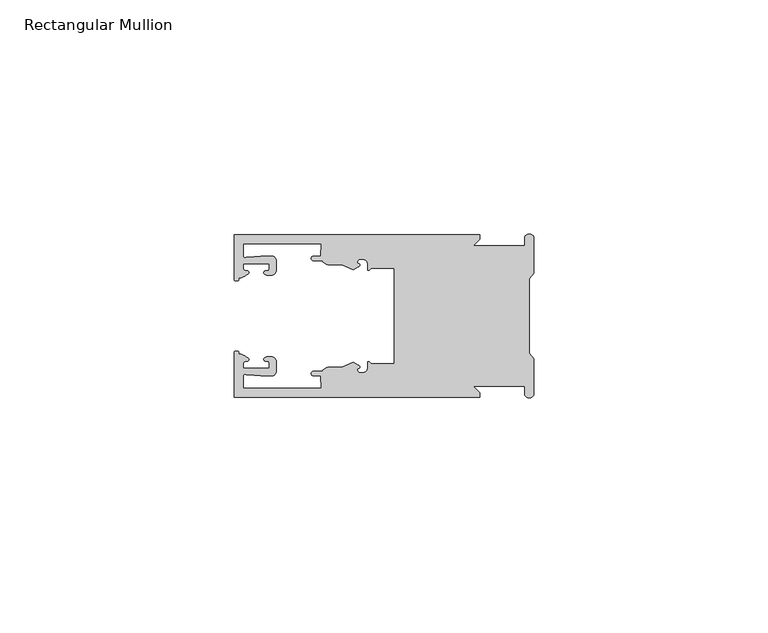
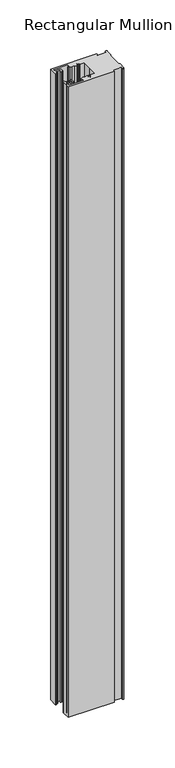
"""IFC4 building model written with IfcOpenShell, lengths in millimetres: member geometry, Rectangular Mullion."""

from ifc_helpers import new_model, si_unit, frame, origin, place, context, project, spatial, polyline, circle_curve, source, transform, mapped, element, save
from ifc_brep_helpers import plane_surface, cylinder_surface, revolved_surface, extruded_surface, spline_curve, advanced_brep


def rectangular_mullion_788114b2(model_context):
    return source(origin(), model_context, "Body", "AdvancedBrep", [
        advanced_brep(
        [(-11.5387897, 17.4000478, 0.0), (-64.0387868, 17.4000478, 0.0), (-64.0387868, 7.8350057, 0.0), (-63.2884687, 7.5412947, 0.0), (-62.4614154, 8.1921895, 0.0), (-62.0410649, 9.9426451, 0.0), (-62.0424168, 11.1926444, 0.0), (-56.54242, 11.1985924, 0.0), (-56.5410682, 9.9485931, 0.0), (-57.1085345, 8.7314723, 0.0), (-56.0397166, 8.6991345, 0.0), (-55.0407987, 9.7002154, 0.0), (-55.0430697, 11.8002142, 0.0), (-56.0446364, 12.7991315, 0.0), (-58.3650753, 12.7954945, 0.0), (-61.1340054, 12.5502269, 0.0), (-62.044093, 12.7426435, 0.0), (-62.0469668, 15.4000478, 0.0), (-45.4240312, 15.4000478, 0.0), (-45.5732135, 12.8000478, 0.0), (-47.0387868, 12.8000478, 0.0), (-47.0387868, 11.8000478, 0.0), (-45.2543363, 11.8000478, 0.0), (-43.6387868, 10.9000478, 0.0), (-41.0454034, 10.9000478, 0.0), (-38.5697136, 9.8718293, 0.0), (-37.5387868, 10.4670351, 0.0), (-37.6803436, 11.4201497, 0.0), (-37.0270763, 12.1583697, 0.0), (-36.2010815, 12.0127245, 0.0), (-35.54, 11.2248783, 0.0), (-35.54, 10.0, 0.0), (-34.7705791, 10.25, 0.0), (-29.79, 10.25, 0.0), (-29.79, 0.0, 0.0), (-29.79, -10.25, 0.0), (-34.7705791, -10.25, 0.0), (-35.54, -10.0, 0.0), (-35.54, -11.2248783, 0.0), (-36.2010815, -12.0127245, 0.0), (-37.0270763, -12.1583697, 0.0), (-37.6803436, -11.4201497, 0.0), (-37.5387868, -10.4670351, 0.0), (-38.5697136, -9.8718293, 0.0), (-41.0454034, -10.9000478, 0.0), (-43.6387868, -10.9000478, 0.0), (-45.2543363, -11.8000478, 0.0), (-47.0387868, -11.8000478, 0.0), (-47.0387868, -12.8000478, 0.0), (-45.5732135, -12.8000478, 0.0), (-45.4240312, -15.4000478, 0.0), (-62.0469668, -15.4000478, 0.0), (-62.044093, -12.7426435, 0.0), (-61.1340054, -12.5502269, 0.0), (-58.3650753, -12.7954945, 0.0), (-56.0446364, -12.7991314, 0.0), (-55.0430697, -11.8002142, 0.0), (-55.0407987, -9.7002154, 0.0), (-56.0397166, -8.6991345, 0.0), (-57.1085345, -8.7314723, 0.0), (-56.5410682, -9.9485931, 0.0), (-56.54242, -11.1985924, 0.0), (-62.0424168, -11.1926444, 0.0), (-62.0410649, -9.9426451, 0.0), (-62.4614154, -8.1921895, 0.0), (-63.2884687, -7.5412947, 0.0), (-64.0387868, -7.8350057, 0.0), (-64.0387868, -17.4000478, 0.0), (-11.5387897, -17.4000478, 0.0), (-11.5387897, -16.4000449, 0.0), (-12.9388346, -15.0, 0.0), (-2.0, -15.0, 0.0), (-2.0, -16.5, 0.0), (0.0, -16.5, 0.0), (0.0, -9.1160254, 0.0), (-1.0, -7.9613249, 0.0), (-1.0, 0.0, 0.0), (-1.0, 7.9613249, 0.0), (0.0, 9.1160254, 0.0), (0.0, 16.5, 0.0), (-2.0, 16.5, 0.0), (-2.0, 15.0, 0.0), (-12.9388346, 15.0, 0.0), (-11.5387897, 16.4000449, 0.0), (-11.5387897, 17.4000478, -761.3333333), (-11.5387897, 16.4000449, -761.3333333), (-12.9388346, 15.0, -761.3333333), (-2.0, 15.0, -761.3333333), (-2.0, 16.5, -761.3333333), (0.0, 16.5, -761.3333333), (0.0, 9.1160254, -761.3333333), (-1.0, 7.9613249, -761.3333333), (-1.0, 0.0, -761.3333333), (-1.0, -7.9613249, -761.3333333), (0.0, -9.1160254, -761.3333333), (0.0, -16.5, -761.3333333), (-2.0, -16.5, -761.3333333), (-2.0, -15.0, -761.3333333), (-12.9388346, -15.0, -761.3333333), (-11.5387897, -16.4000449, -761.3333333), (-11.5387897, -17.4000478, -761.3333333), (-64.0387868, -17.4000478, -761.3333333), (-64.0387868, -7.8350057, -761.3333333), (-63.2884687, -7.5412947, -761.3333333), (-62.4614154, -8.1921895, -761.3333333), (-62.0410649, -9.9426451, -761.3333333), (-62.0424168, -11.1926444, -761.3333333), (-56.54242, -11.1985924, -761.3333333), (-56.5410682, -9.9485931, -761.3333333), (-57.1085345, -8.7314723, -761.3333333), (-56.0397166, -8.6991345, -761.3333333), (-55.0407987, -9.7002154, -761.3333333), (-55.0430697, -11.8002142, -761.3333333), (-56.0446364, -12.7991315, -761.3333333), (-58.3650753, -12.7954945, -761.3333333), (-61.1340054, -12.5502269, -761.3333333), (-62.044093, -12.7426435, -761.3333333), (-62.0469668, -15.4000478, -761.3333333), (-45.4240312, -15.4000478, -761.3333333), (-45.5732135, -12.8000478, -761.3333333), (-47.0387868, -12.8000478, -761.3333333), (-47.0387868, -11.8000478, -761.3333333), (-45.2543363, -11.8000478, -761.3333333), (-43.6387868, -10.9000478, -761.3333333), (-41.0454034, -10.9000478, -761.3333333), (-38.5697136, -9.8718293, -761.3333333), (-37.5387868, -10.4670351, -761.3333333), (-37.6803436, -11.4201497, -761.3333333), (-37.0270763, -12.1583697, -761.3333333), (-36.2010815, -12.0127245, -761.3333333), (-35.54, -11.2248783, -761.3333333), (-35.54, -10.0, -761.3333333), (-34.7705791, -10.25, -761.3333333), (-29.79, -10.25, -761.3333333), (-29.79, 0.0, -761.3333333), (-29.79, 10.25, -761.3333333), (-34.7705791, 10.25, -761.3333333), (-35.54, 10.0, -761.3333333), (-35.54, 11.2248783, -761.3333333), (-36.2010815, 12.0127245, -761.3333333), (-37.0270763, 12.1583697, -761.3333333), (-37.6803436, 11.4201497, -761.3333333), (-37.5387868, 10.4670351, -761.3333333), (-38.5697136, 9.8718293, -761.3333333), (-41.0454034, 10.9000478, -761.3333333), (-43.6387868, 10.9000478, -761.3333333), (-45.2543363, 11.8000478, -761.3333333), (-47.0387868, 11.8000478, -761.3333333), (-47.0387868, 12.8000478, -761.3333333), (-45.5732135, 12.8000478, -761.3333333), (-45.4240312, 15.4000478, -761.3333333), (-62.0469668, 15.4000478, -761.3333333), (-62.044093, 12.7426435, -761.3333333), (-61.1340054, 12.5502269, -761.3333333), (-58.3650753, 12.7954945, -761.3333333), (-56.0446364, 12.7991314, -761.3333333), (-55.0430697, 11.8002142, -761.3333333), (-55.0407987, 9.7002154, -761.3333333), (-56.0397166, 8.6991345, -761.3333333), (-57.1085345, 8.7314723, -761.3333333), (-56.5410682, 9.9485931, -761.3333333), (-56.54242, 11.1985924, -761.3333333), (-62.0424168, 11.1926444, -761.3333333), (-62.0410649, 9.9426451, -761.3333333), (-62.4614154, 8.1921895, -761.3333333), (-63.2884687, 7.5412947, -761.3333333), (-64.0387868, 7.8350057, -761.3333333), (-64.0387868, 17.4000478, -761.3333333)],
        [
            (0, 1),
            (1, 2),
            (2, 3, spline_curve(3, [(-64.0387868, 7.8350057, 0.0), (-64.038491377, 7.561831774, 0.0), (-63.788385325, 7.463928087, 0.0), (-63.2884687, 7.5412947, 0.0)], [4, 4], [0.0, 0.0019169337574178654])),
            (3, 4, spline_curve(3, [(-63.2884687, 7.5412947, 0.0), (-63.057760917, 7.582232011, 0.0), (-63.018445067, 7.725390894, 0.0), (-63.019925494, 8.056436881, 0.0), (-63.103444208, 8.236386866, 0.0), (-62.4614154, 8.1921895, 0.0)], [4, 2, 4], [0.0, 0.0010199524164107188, 0.0024874514725970356])),
            (4, 5, spline_curve(3, [(-62.4614154, 8.1921895, 0.0), (-60.988497673, 8.880962536, 0.0), (-60.794045122, 9.192776957, 0.0), (-60.949808078, 9.57023562, 0.0), (-61.145214014, 9.682771697, 0.0), (-61.665835706, 9.714019003, 0.0), (-61.965242574, 9.660891484, 0.0), (-62.0410649, 9.9426451, 0.0)], [4, 2, 2, 4], [0.0, 0.003269869179570428, 0.005490050486237203, 0.0073545767114364426])),
            (5, 6),
            (6, 7),
            (7, 8),
            (8, 9, spline_curve(3, [(-56.5410682, 9.9485931, 0.0), (-56.634838635, 9.597117104, 0.0), (-56.904956774, 9.698238818, 0.0), (-57.324171444, 9.731086209, 0.0), (-57.45969165, 9.646199885, 0.0), (-57.729003352, 9.346016011, 0.0), (-57.859492582, 9.113082158, 0.0), (-57.1085345, 8.7314723, 0.0)], [4, 2, 2, 4], [0.0, 0.001593963049934732, 0.0033360256320283306, 0.005339140673503943])),
            (9, 10),
            (10, 11, circle_curve(frame((-56.0407981, 9.699134, 0.0), z_axis=(0.0, 0.0, 1.0), x_axis=(0.0010814451158627505, -0.9999994152380598, 0.0)), 1.0)),
            (11, 12),
            (12, 13, circle_curve(frame((-56.0430691, 11.7991327, 0.0), z_axis=(0.0, 0.0, 1.0), x_axis=(0.0010814451158627505, -0.9999994152380598, 0.0)), 1.0)),
            (13, 14),
            (14, 15),
            (15, 16, spline_curve(3, [(-61.1340054, 12.5502269, 0.0), (-61.605485428, 12.508463911, 0.0), (-61.992111419, 12.303164326, 0.0), (-62.044093, 12.7426435, 0.0)], [4, 4], [0.0, 0.0014803385355886016])),
            (16, 17),
            (17, 18),
            (18, 19),
            (19, 20),
            (20, 21, circle_curve(frame((-47.0387868, 12.3000478, 0.0), z_axis=(0.0, 0.0, 1.0), x_axis=(0.0, -1.0, 0.0)), 0.5)),
            (21, 22),
            (22, 23, circle_curve(frame((-43.6387868, 12.8000478, 0.0), z_axis=(0.0, 0.0, 1.0), x_axis=(0.0, -1.0, 0.0)), 1.9)),
            (23, 24),
            (24, 25),
            (25, 26),
            (26, 27, spline_curve(3, [(-37.5387868, 10.4670351, 0.0), (-36.973919853, 10.833863985, 0.0), (-37.198159645, 11.135696286, 0.0), (-37.587892011, 11.260246073, 0.0), (-37.754584192, 11.180452419, 0.0), (-37.6803436, 11.4201497, 0.0)], [4, 2, 4], [0.0, 0.0019283703160353726, 0.003394584635652914])),
            (27, 28, circle_curve(frame((-37.0434863, 11.5147359, 0.0), z_axis=(0.0, 0.0, -1.0), x_axis=(0.0, -1.0, 0.0)), 0.643843)),
            (28, 29),
            (29, 30, circle_curve(frame((-36.34, 11.2248783, 0.0), z_axis=(0.0, 0.0, -1.0), x_axis=(0.0, -1.0, 0.0)), 0.8)),
            (30, 31),
            (31, 32, spline_curve(3, [(-35.54, 10.0, 0.0), (-35.440000238, 9.598293201, 0.0), (-35.183526594, 9.681626535, 0.0), (-34.7705791, 10.25, 0.0)], [4, 4], [0.0, 0.0027473296990141553])),
            (32, 33),
            (33, 34),
            (34, 35),
            (35, 36),
            (36, 37, spline_curve(3, [(-34.7705791, -10.25, 0.0), (-35.183526594, -9.681626535, 0.0), (-35.440000238, -9.598293201, 0.0), (-35.54, -10.0, 0.0)], [4, 4], [0.0, 0.0027473296990141553])),
            (37, 38),
            (38, 39, circle_curve(frame((-36.34, -11.2248783, 0.0), z_axis=(0.0, 0.0, -1.0), x_axis=(0.0, 1.0, 0.0)), 0.8)),
            (39, 40),
            (40, 41, circle_curve(frame((-37.0434863, -11.5147359, 0.0), z_axis=(0.0, 0.0, -1.0), x_axis=(0.0, 1.0, 0.0)), 0.643843)),
            (41, 42, spline_curve(3, [(-37.6803436, -11.4201497, 0.0), (-37.754584192, -11.180452419, 0.0), (-37.587892011, -11.260246073, 0.0), (-37.198159645, -11.135696286, 0.0), (-36.973919853, -10.833863985, 0.0), (-37.5387868, -10.4670351, 0.0)], [4, 2, 4], [0.0, 0.0014662143196175414, 0.003394584635652914])),
            (42, 43),
            (43, 44),
            (44, 45),
            (45, 46, circle_curve(frame((-43.6387868, -12.8000478, 0.0), z_axis=(0.0, 0.0, 1.0), x_axis=(0.0, 1.0, 0.0)), 1.9)),
            (46, 47),
            (47, 48, circle_curve(frame((-47.0387868, -12.3000478, 0.0), z_axis=(0.0, 0.0, 1.0), x_axis=(0.0, 1.0, 0.0)), 0.5)),
            (48, 49),
            (49, 50),
            (50, 51),
            (51, 52),
            (52, 53, spline_curve(3, [(-62.044093, -12.7426435, 0.0), (-61.992111419, -12.303164326, 0.0), (-61.605485428, -12.508463911, 0.0), (-61.1340054, -12.5502269, 0.0)], [4, 4], [0.0, 0.0014803385355886016])),
            (53, 54),
            (54, 55),
            (55, 56, circle_curve(frame((-56.0430691, -11.7991327, 0.0), z_axis=(0.0, 0.0, 1.0), x_axis=(0.001081445115855867, 0.9999994152380598, 0.0)), 1.0)),
            (56, 57),
            (57, 58, circle_curve(frame((-56.0407981, -9.699134, 0.0), z_axis=(0.0, 0.0, 1.0), x_axis=(0.001081445115855867, 0.9999994152380598, 0.0)), 1.0)),
            (58, 59),
            (59, 60, spline_curve(3, [(-57.1085345, -8.7314723, 0.0), (-57.859492582, -9.113082158, 0.0), (-57.729003352, -9.346016011, 0.0), (-57.45969165, -9.646199885, 0.0), (-57.324171444, -9.731086209, 0.0), (-56.904956774, -9.698238818, 0.0), (-56.634838635, -9.597117104, 0.0), (-56.5410682, -9.9485931, 0.0)], [4, 2, 2, 4], [0.0, 0.002003115041475612, 0.0037451776235692107, 0.005339140673503943])),
            (60, 61),
            (61, 62),
            (62, 63),
            (63, 64, spline_curve(3, [(-62.0410649, -9.9426451, 0.0), (-61.965242574, -9.660891484, 0.0), (-61.665835706, -9.714019003, 0.0), (-61.145214014, -9.682771697, 0.0), (-60.949808078, -9.57023562, 0.0), (-60.794045122, -9.192776957, 0.0), (-60.988497673, -8.880962536, 0.0), (-62.4614154, -8.1921895, 0.0)], [4, 2, 2, 4], [0.0, 0.0018645262251992395, 0.004084707531866015, 0.0073545767114364426])),
            (64, 65, spline_curve(3, [(-62.4614154, -8.1921895, 0.0), (-63.103444208, -8.236386866, 0.0), (-63.019925494, -8.056436881, 0.0), (-63.018445067, -7.725390894, 0.0), (-63.057760917, -7.582232011, 0.0), (-63.2884687, -7.5412947, 0.0)], [4, 2, 4], [0.0, 0.0014674990561863168, 0.0024874514725970356])),
            (65, 66, spline_curve(3, [(-63.2884687, -7.5412947, 0.0), (-63.788385325, -7.463928087, 0.0), (-64.038491377, -7.561831774, 0.0), (-64.0387868, -7.8350057, 0.0)], [4, 4], [0.0, 0.0019169337574178654])),
            (66, 67),
            (67, 68),
            (68, 69),
            (69, 70),
            (70, 71),
            (71, 72),
            (72, 73, circle_curve(frame((-1.0, -16.5, 0.0), z_axis=(0.0, 0.0, 1.0), x_axis=(0.0, 1.0, 0.0)), 1.0)),
            (73, 74),
            (74, 75),
            (75, 76),
            (76, 77),
            (77, 78),
            (78, 79),
            (79, 80, circle_curve(frame((-1.0, 16.5, 0.0), z_axis=(0.0, 0.0, 1.0), x_axis=(0.0, -1.0, 0.0)), 1.0)),
            (80, 81),
            (81, 82),
            (82, 83),
            (83, 0),
            (84, 85),
            (85, 86),
            (86, 87),
            (87, 88),
            (88, 89, circle_curve(frame((-1.0, 16.5, -761.3333333), z_axis=(0.0, 0.0, -1.0), x_axis=(0.0, -1.0, 0.0)), 1.0)),
            (89, 90),
            (90, 91),
            (91, 92),
            (92, 93),
            (93, 94),
            (94, 95),
            (95, 96, circle_curve(frame((-1.0, -16.5, -761.3333333), z_axis=(0.0, 0.0, -1.0), x_axis=(0.0, 1.0, 0.0)), 1.0)),
            (96, 97),
            (97, 98),
            (98, 99),
            (99, 100),
            (100, 101),
            (101, 102),
            (102, 103, spline_curve(3, [(-64.0387868, -7.8350057, -761.3333333), (-64.038491377, -7.561831774, -761.3333333), (-63.788385325, -7.463928087, -761.3333333), (-63.2884687, -7.5412947, -761.3333333)], [4, 4], [0.0, 0.0019169337574178654])),
            (103, 104, spline_curve(3, [(-63.2884687, -7.5412947, -761.3333333), (-63.057760917, -7.582232011, -761.3333333), (-63.018445067, -7.725390894, -761.3333333), (-63.019925494, -8.056436881, -761.3333333), (-63.103444208, -8.236386866, -761.3333333), (-62.4614154, -8.1921895, -761.3333333)], [4, 2, 4], [0.0, 0.0010199524164107188, 0.0024874514725970356])),
            (104, 105, spline_curve(3, [(-62.4614154, -8.1921895, -761.3333333), (-60.988497673, -8.880962536, -761.3333333), (-60.794045122, -9.192776957, -761.3333333), (-60.949808078, -9.57023562, -761.3333333), (-61.145214014, -9.682771697, -761.3333333), (-61.665835706, -9.714019003, -761.3333333), (-61.965242574, -9.660891484, -761.3333333), (-62.0410649, -9.9426451, -761.3333333)], [4, 2, 2, 4], [0.0, 0.003269869179570428, 0.005490050486237203, 0.0073545767114364426])),
            (105, 106),
            (106, 107),
            (107, 108),
            (108, 109, spline_curve(3, [(-56.5410682, -9.9485931, -761.3333333), (-56.634838635, -9.597117104, -761.3333333), (-56.904956774, -9.698238818, -761.3333333), (-57.324171444, -9.731086209, -761.3333333), (-57.45969165, -9.646199885, -761.3333333), (-57.729003352, -9.346016011, -761.3333333), (-57.859492582, -9.113082158, -761.3333333), (-57.1085345, -8.7314723, -761.3333333)], [4, 2, 2, 4], [0.0, 0.001593963049934732, 0.0033360256320283306, 0.005339140673503943])),
            (109, 110),
            (110, 111, circle_curve(frame((-56.0407981, -9.699134, -761.3333333), z_axis=(0.0, 0.0, -1.0), x_axis=(0.001081445115855867, 0.9999994152380598, 0.0)), 1.0)),
            (111, 112),
            (112, 113, circle_curve(frame((-56.0430691, -11.7991327, -761.3333333), z_axis=(0.0, 0.0, -1.0), x_axis=(0.001081445115855867, 0.9999994152380598, 0.0)), 1.0)),
            (113, 114),
            (114, 115),
            (115, 116, spline_curve(3, [(-61.1340054, -12.5502269, -761.3333333), (-61.605485428, -12.508463911, -761.3333333), (-61.992111419, -12.303164326, -761.3333333), (-62.044093, -12.7426435, -761.3333333)], [4, 4], [0.0, 0.0014803385355886016])),
            (116, 117),
            (117, 118),
            (118, 119),
            (119, 120),
            (120, 121, circle_curve(frame((-47.0387868, -12.3000478, -761.3333333), z_axis=(0.0, 0.0, -1.0), x_axis=(0.0, 1.0, 0.0)), 0.5)),
            (121, 122),
            (122, 123, circle_curve(frame((-43.6387868, -12.8000478, -761.3333333), z_axis=(0.0, 0.0, -1.0), x_axis=(0.0, 1.0, 0.0)), 1.9)),
            (123, 124),
            (124, 125),
            (125, 126),
            (126, 127, spline_curve(3, [(-37.5387868, -10.4670351, -761.3333333), (-36.973919853, -10.833863985, -761.3333333), (-37.198159645, -11.135696286, -761.3333333), (-37.587892011, -11.260246073, -761.3333333), (-37.754584192, -11.180452419, -761.3333333), (-37.6803436, -11.4201497, -761.3333333)], [4, 2, 4], [0.0, 0.0019283703160353726, 0.003394584635652914])),
            (127, 128, circle_curve(frame((-37.0434863, -11.5147359, -761.3333333), z_axis=(0.0, 0.0, 1.0), x_axis=(0.0, 1.0, 0.0)), 0.643843)),
            (128, 129),
            (129, 130, circle_curve(frame((-36.34, -11.2248783, -761.3333333), z_axis=(0.0, 0.0, 1.0), x_axis=(0.0, 1.0, 0.0)), 0.8)),
            (130, 131),
            (131, 132, spline_curve(3, [(-35.54, -10.0, -761.3333333), (-35.440000238, -9.598293201, -761.3333333), (-35.183526594, -9.681626535, -761.3333333), (-34.7705791, -10.25, -761.3333333)], [4, 4], [0.0, 0.0027473296990141553])),
            (132, 133),
            (133, 134),
            (134, 135),
            (135, 136),
            (136, 137, spline_curve(3, [(-34.7705791, 10.25, -761.3333333), (-35.183526594, 9.681626535, -761.3333333), (-35.440000238, 9.598293201, -761.3333333), (-35.54, 10.0, -761.3333333)], [4, 4], [0.0, 0.0027473296990141553])),
            (137, 138),
            (138, 139, circle_curve(frame((-36.34, 11.2248783, -761.3333333), z_axis=(0.0, 0.0, 1.0), x_axis=(0.0, -1.0, 0.0)), 0.8)),
            (139, 140),
            (140, 141, circle_curve(frame((-37.0434863, 11.5147359, -761.3333333), z_axis=(0.0, 0.0, 1.0), x_axis=(0.0, -1.0, 0.0)), 0.643843)),
            (141, 142, spline_curve(3, [(-37.6803436, 11.4201497, -761.3333333), (-37.754584192, 11.180452419, -761.3333333), (-37.587892011, 11.260246073, -761.3333333), (-37.198159645, 11.135696286, -761.3333333), (-36.973919853, 10.833863985, -761.3333333), (-37.5387868, 10.4670351, -761.3333333)], [4, 2, 4], [0.0, 0.0014662143196175414, 0.003394584635652914])),
            (142, 143),
            (143, 144),
            (144, 145),
            (145, 146, circle_curve(frame((-43.6387868, 12.8000478, -761.3333333), z_axis=(0.0, 0.0, -1.0), x_axis=(0.0, -1.0, 0.0)), 1.9)),
            (146, 147),
            (147, 148, circle_curve(frame((-47.0387868, 12.3000478, -761.3333333), z_axis=(0.0, 0.0, -1.0), x_axis=(0.0, -1.0, 0.0)), 0.5)),
            (148, 149),
            (149, 150),
            (150, 151),
            (151, 152),
            (152, 153, spline_curve(3, [(-62.044093, 12.7426435, -761.3333333), (-61.992111419, 12.303164326, -761.3333333), (-61.605485428, 12.508463911, -761.3333333), (-61.1340054, 12.5502269, -761.3333333)], [4, 4], [0.0, 0.0014803385355886016])),
            (153, 154),
            (154, 155),
            (155, 156, circle_curve(frame((-56.0430691, 11.7991327, -761.3333333), z_axis=(0.0, 0.0, -1.0), x_axis=(0.0010814451158627505, -0.9999994152380598, 0.0)), 1.0)),
            (156, 157),
            (157, 158, circle_curve(frame((-56.0407981, 9.699134, -761.3333333), z_axis=(0.0, 0.0, -1.0), x_axis=(0.0010814451158627505, -0.9999994152380598, 0.0)), 1.0)),
            (158, 159),
            (159, 160, spline_curve(3, [(-57.1085345, 8.7314723, -761.3333333), (-57.859492582, 9.113082158, -761.3333333), (-57.729003352, 9.346016011, -761.3333333), (-57.45969165, 9.646199885, -761.3333333), (-57.324171444, 9.731086209, -761.3333333), (-56.904956774, 9.698238818, -761.3333333), (-56.634838635, 9.597117104, -761.3333333), (-56.5410682, 9.9485931, -761.3333333)], [4, 2, 2, 4], [0.0, 0.002003115041475612, 0.0037451776235692107, 0.005339140673503943])),
            (160, 161),
            (161, 162),
            (162, 163),
            (163, 164, spline_curve(3, [(-62.0410649, 9.9426451, -761.3333333), (-61.965242574, 9.660891484, -761.3333333), (-61.665835706, 9.714019003, -761.3333333), (-61.145214014, 9.682771697, -761.3333333), (-60.949808078, 9.57023562, -761.3333333), (-60.794045122, 9.192776957, -761.3333333), (-60.988497673, 8.880962536, -761.3333333), (-62.4614154, 8.1921895, -761.3333333)], [4, 2, 2, 4], [0.0, 0.0018645262251992395, 0.004084707531866015, 0.0073545767114364426])),
            (164, 165, spline_curve(3, [(-62.4614154, 8.1921895, -761.3333333), (-63.103444208, 8.236386866, -761.3333333), (-63.019925494, 8.056436881, -761.3333333), (-63.018445067, 7.725390894, -761.3333333), (-63.057760917, 7.582232011, -761.3333333), (-63.2884687, 7.5412947, -761.3333333)], [4, 2, 4], [0.0, 0.0014674990561863168, 0.0024874514725970356])),
            (165, 166, spline_curve(3, [(-63.2884687, 7.5412947, -761.3333333), (-63.788385325, 7.463928087, -761.3333333), (-64.038491377, 7.561831774, -761.3333333), (-64.0387868, 7.8350057, -761.3333333)], [4, 4], [0.0, 0.0019169337574178654])),
            (166, 167),
            (167, 84),
            (0, 84),
            (167, 1),
            (166, 2),
            (165, 3),
            (164, 4),
            (163, 5),
            (162, 6),
            (161, 7),
            (160, 8),
            (159, 9),
            (158, 10),
            (157, 11),
            (156, 12),
            (155, 13),
            (154, 14),
            (153, 15),
            (152, 16),
            (151, 17),
            (150, 18),
            (149, 19),
            (148, 20),
            (147, 21),
            (146, 22),
            (145, 23),
            (144, 24),
            (143, 25),
            (142, 26),
            (141, 27),
            (140, 28),
            (139, 29),
            (138, 30),
            (137, 31),
            (136, 32),
            (135, 33),
            (134, 34),
            (133, 35),
            (132, 36),
            (131, 37),
            (130, 38),
            (129, 39),
            (128, 40),
            (127, 41),
            (126, 42),
            (125, 43),
            (124, 44),
            (123, 45),
            (122, 46),
            (121, 47),
            (120, 48),
            (119, 49),
            (118, 50),
            (117, 51),
            (116, 52),
            (115, 53),
            (114, 54),
            (113, 55),
            (112, 56),
            (111, 57),
            (110, 58),
            (109, 59),
            (108, 60),
            (107, 61),
            (106, 62),
            (105, 63),
            (104, 64),
            (103, 65),
            (102, 66),
            (101, 67),
            (100, 68),
            (99, 69),
            (98, 70),
            (97, 71),
            (96, 72),
            (95, 73),
            (94, 74),
            (93, 75),
            (92, 76),
            (91, 77),
            (90, 78),
            (89, 79),
            (88, 80),
            (87, 81),
            (86, 82),
            (85, 83),
        ],
        [
            plane_surface(frame((0.0, -66.3605898, 0.0), z_axis=(0.0, 0.0, 1.0), x_axis=(-1.0, 0.0, 0.0))),
            plane_surface(frame((0.0, -66.3605898, -761.3333333), z_axis=(0.0, 0.0, -1.0), x_axis=(-1.0, 0.0, 0.0))),
            plane_surface(frame((-11.5387897, 17.4000478, 0.0), z_axis=(0.0, 1.0, 0.0), x_axis=(0.0, 0.0, -1.0))),
            plane_surface(frame((-64.0387868, 17.4000478, 0.0), z_axis=(-1.0, 0.0, 0.0), x_axis=(0.0, 0.0, -1.0))),
            extruded_surface(spline_curve(3, [(-64.0387868, 7.8350057, -761.3333333), (-64.038491377, 7.561831774, -761.3333333), (-63.788385325, 7.463928087, -761.3333333), (-63.2884687, 7.5412947, -761.3333333)], [4, 4], [0.0, 0.0019169337574178654]), (0.0, 0.0, 761.3333333), 761.3333333),
            extruded_surface(spline_curve(3, [(-63.2884687, 7.5412947, -761.3333333), (-63.057760917, 7.582232011, -761.3333333), (-63.018445067, 7.725390894, -761.3333333), (-63.019925494, 8.056436881, -761.3333333), (-63.103444208, 8.236386866, -761.3333333), (-62.4614154, 8.1921895, -761.3333333)], [4, 2, 4], [0.0, 0.0010199524164107188, 0.0024874514725970356]), (0.0, 0.0, 761.3333333), 761.3333333),
            extruded_surface(spline_curve(3, [(-62.4614154, 8.1921895, -761.3333333), (-60.988497673, 8.880962536, -761.3333333), (-60.794045122, 9.192776957, -761.3333333), (-60.949808078, 9.57023562, -761.3333333), (-61.145214014, 9.682771697, -761.3333333), (-61.665835706, 9.714019003, -761.3333333), (-61.965242574, 9.660891484, -761.3333333), (-62.0410649, 9.9426451, -761.3333333)], [4, 2, 2, 4], [0.0, 0.003269869179570428, 0.005490050486237203, 0.0073545767114364426]), (0.0, 0.0, 761.3333333), 761.3333333),
            plane_surface(frame((-62.0410649, 9.9426451, 0.0), z_axis=(0.9999994152380598, 0.0010814451158593665, 0.0), x_axis=(0.0, 0.0, -1.0))),
            plane_surface(frame((-62.0424168, 11.1926444, 0.0), z_axis=(0.0010814451158611391, -0.9999994152380598, 0.0), x_axis=(0.0, 0.0, -1.0))),
            plane_surface(frame((-56.54242, 11.1985924, 0.0), z_axis=(-0.9999994152380598, -0.0010814451158584516, 0.0), x_axis=(0.0, 0.0, -1.0))),
            extruded_surface(spline_curve(3, [(-56.5410682, 9.9485931, -761.3333333), (-56.634838635, 9.597117104, -761.3333333), (-56.904956774, 9.698238818, -761.3333333), (-57.324171444, 9.731086209, -761.3333333), (-57.45969165, 9.646199885, -761.3333333), (-57.729003352, 9.346016011, -761.3333333), (-57.859492582, 9.113082158, -761.3333333), (-57.1085345, 8.7314723, -761.3333333)], [4, 2, 2, 4], [0.0, 0.001593963049934732, 0.0033360256320283306, 0.005339140673503943]), (0.0, 0.0, 761.3333333), 761.3333333),
            plane_surface(frame((-57.1085345, 8.7314723, 0.0), z_axis=(-0.030241832452869922, -0.9995426111826813, 0.0), x_axis=(0.0, 0.0, -1.0))),
            cylinder_surface(frame((-56.0407981, 9.699134, 0.0), z_axis=(0.0, 0.0, 1.0000000000000002), x_axis=(0.0010814451158627505, -0.9999994152380598, 0.0)), 1.0),
            plane_surface(frame((-55.0407987, 9.7002154, 0.0), z_axis=(0.9999994152380598, 0.001081445115858722, 0.0), x_axis=(0.0, 0.0, -1.0))),
            cylinder_surface(frame((-56.0430691, 11.7991327, 0.0), z_axis=(0.0, 0.0, 1.0000000000000002), x_axis=(0.0010814451158627505, -0.9999994152380598, 0.0)), 1.0),
            plane_surface(frame((-56.0446364, 12.7991314, 0.0), z_axis=(-0.0015673183327907744, 0.9999987717558677, 0.0), x_axis=(0.0, 0.0, -1.0))),
            plane_surface(frame((-58.3650753, 12.7954945, 0.0), z_axis=(-0.08823302167299531, 0.9960998614026874, 0.0), x_axis=(0.0, 0.0, -1.0))),
            extruded_surface(spline_curve(3, [(-61.1340054, 12.5502269, -761.3333333), (-61.605485428, 12.508463911, -761.3333333), (-61.992111419, 12.303164326, -761.3333333), (-62.044093, 12.7426435, -761.3333333)], [4, 4], [0.0, 0.0014803385355886016]), (0.0, 0.0, 761.3333333), 761.3333333),
            plane_surface(frame((-62.044093, 12.7426435, 0.0), z_axis=(0.9999994152380598, 0.0010814451158597813, 0.0), x_axis=(0.0, 0.0, -1.0))),
            plane_surface(frame((-62.0469668, 15.4000478, 0.0), z_axis=(0.0, -1.0, 0.0), x_axis=(0.0, 0.0, -1.0))),
            plane_surface(frame((-45.4240312, 15.4000478, 0.0), z_axis=(-0.9983579461523547, 0.05728360458675776, 0.0), x_axis=(0.0, 0.0, -1.0))),
            plane_surface(frame((-45.5732135, 12.8000478, 0.0), z_axis=(0.0, 1.0, 0.0), x_axis=(0.0, 0.0, -1.0))),
            cylinder_surface(frame((-47.0387868, 12.3000478, 0.0), z_axis=(0.0, 0.0, 1.0), x_axis=(0.0, -1.0, 0.0)), 0.5),
            plane_surface(frame((-47.0387868, 11.8000478, 0.0), z_axis=(0.0, -1.0, 0.0), x_axis=(0.0, 0.0, -1.0))),
            cylinder_surface(frame((-43.6387868, 12.8000478, 0.0), z_axis=(0.0, 0.0, 1.0), x_axis=(0.0, -1.0, 0.0)), 1.9),
            plane_surface(frame((-43.6387868, 10.9000478, 0.0), z_axis=(0.0, -1.0, 0.0), x_axis=(0.0, 0.0, -1.0))),
            plane_surface(frame((-41.0454034, 10.9000478, 0.0), z_axis=(-0.3835602140750569, -0.9235158700199453, 0.0), x_axis=(0.0, 0.0, -1.0))),
            plane_surface(frame((-38.5697136, 9.8718293, 0.0), z_axis=(0.5000000000252295, -0.8660254037698725, 0.0), x_axis=(0.0, 0.0, -1.0))),
            extruded_surface(spline_curve(3, [(-37.5387868, 10.4670351, -761.3333333), (-36.973919853, 10.833863985, -761.3333333), (-37.198159645, 11.135696286, -761.3333333), (-37.587892011, 11.260246073, -761.3333333), (-37.754584192, 11.180452419, -761.3333333), (-37.6803436, 11.4201497, -761.3333333)], [4, 2, 4], [0.0, 0.0019283703160353726, 0.003394584635652914]), (0.0, 0.0, 761.3333333), 761.3333333),
            revolved_surface(polyline([(-37.0434863, 10.8708929, -761.3333333), (-37.0434863, 10.8708929, 0.0)]), (-37.0434863, 11.5147359, 0.0), (0.0, 0.0, -1.0)),
            plane_surface(frame((-37.0270763, 12.1583697, 0.0), z_axis=(-0.17364817767050408, -0.984807753011578, 0.0), x_axis=(0.0, 0.0, -1.0))),
            revolved_surface(polyline([(-36.34, 10.4248783, -761.3333333), (-36.34, 10.4248783, 0.0)]), (-36.34, 11.2248783, 0.0), (0.0, 0.0, -1.0)),
            plane_surface(frame((-35.54, 11.2248783, 0.0), z_axis=(-1.0, 0.0, 0.0), x_axis=(0.0, 0.0, -1.0))),
            extruded_surface(spline_curve(3, [(-35.54, 10.0, -761.3333333), (-35.440000238, 9.598293201, -761.3333333), (-35.183526594, 9.681626535, -761.3333333), (-34.7705791, 10.25, -761.3333333)], [4, 4], [0.0, 0.0027473296990141553]), (0.0, 0.0, 761.3333333), 761.3333333),
            plane_surface(frame((-34.7705791, 10.25, 0.0), z_axis=(0.0, -1.0, 0.0), x_axis=(0.0, 0.0, -1.0))),
            plane_surface(frame((-29.79, 10.25, 0.0), z_axis=(-1.0, 0.0, 0.0), x_axis=(0.0, 0.0, -1.0))),
            plane_surface(frame((-29.79, 0.0, 0.0), z_axis=(-1.0, 0.0, 0.0), x_axis=(0.0, 0.0, -1.0))),
            plane_surface(frame((-29.79, -10.25, 0.0), z_axis=(0.0, 1.0, 0.0), x_axis=(0.0, 0.0, -1.0))),
            extruded_surface(spline_curve(3, [(-34.7705791, -10.25, -761.3333333), (-35.183526594, -9.681626535, -761.3333333), (-35.440000238, -9.598293201, -761.3333333), (-35.54, -10.0, -761.3333333)], [4, 4], [0.0, 0.0027473296990141553]), (0.0, 0.0, 761.3333333), 761.3333333),
            plane_surface(frame((-35.54, -10.0, 0.0), z_axis=(-1.0, 0.0, 0.0), x_axis=(0.0, 0.0, -1.0))),
            revolved_surface(polyline([(-36.34, -10.4248783, -761.3333333), (-36.34, -10.4248783, 0.0)]), (-36.34, -11.2248783, 0.0), (0.0, 0.0, -1.0)),
            plane_surface(frame((-36.2010815, -12.0127245, 0.0), z_axis=(-0.17364817767051083, 0.9848077530115767, 0.0), x_axis=(0.0, 0.0, -1.0))),
            revolved_surface(polyline([(-37.0434863, -10.8708929, -761.3333333), (-37.0434863, -10.8708929, 0.0)]), (-37.0434863, -11.5147359, 0.0), (0.0, 0.0, -1.0)),
            extruded_surface(spline_curve(3, [(-37.6803436, -11.4201497, -761.3333333), (-37.754584192, -11.180452419, -761.3333333), (-37.587892011, -11.260246073, -761.3333333), (-37.198159645, -11.135696286, -761.3333333), (-36.973919853, -10.833863985, -761.3333333), (-37.5387868, -10.4670351, -761.3333333)], [4, 2, 4], [0.0, 0.0014662143196175414, 0.003394584635652914]), (0.0, 0.0, 761.3333333), 761.3333333),
            plane_surface(frame((-37.5387868, -10.4670351, 0.0), z_axis=(0.5000000000252234, 0.8660254037698759, 0.0), x_axis=(0.0, 0.0, -1.0))),
            plane_surface(frame((-38.5697136, -9.8718293, 0.0), z_axis=(-0.38356021407506324, 0.9235158700199426, 0.0), x_axis=(0.0, 0.0, -1.0))),
            plane_surface(frame((-41.0454034, -10.9000478, 0.0), z_axis=(0.0, 1.0, 0.0), x_axis=(0.0, 0.0, -1.0))),
            cylinder_surface(frame((-43.6387868, -12.8000478, 0.0), z_axis=(0.0, 0.0, 1.0), x_axis=(0.0, 1.0, 0.0)), 1.9),
            plane_surface(frame((-45.2543363, -11.8000478, 0.0), z_axis=(0.0, 1.0, 0.0), x_axis=(0.0, 0.0, -1.0))),
            cylinder_surface(frame((-47.0387868, -12.3000478, 0.0), z_axis=(0.0, 0.0, 1.0), x_axis=(0.0, 1.0, 0.0)), 0.5),
            plane_surface(frame((-47.0387868, -12.8000478, 0.0), z_axis=(0.0, -1.0, 0.0), x_axis=(0.0, 0.0, -1.0))),
            plane_surface(frame((-45.5732135, -12.8000478, 0.0), z_axis=(-0.9983579461523543, -0.05728360458676463, 0.0), x_axis=(0.0, 0.0, -1.0))),
            plane_surface(frame((-45.4240312, -15.4000478, 0.0), z_axis=(0.0, 1.0, 0.0), x_axis=(0.0, 0.0, -1.0))),
            plane_surface(frame((-62.0469668, -15.4000478, 0.0), z_axis=(0.9999994152380598, -0.001081445115852898, 0.0), x_axis=(0.0, 0.0, -1.0))),
            extruded_surface(spline_curve(3, [(-62.044093, -12.7426435, -761.3333333), (-61.992111419, -12.303164326, -761.3333333), (-61.605485428, -12.508463911, -761.3333333), (-61.1340054, -12.5502269, -761.3333333)], [4, 4], [0.0, 0.0014803385355886016]), (0.0, 0.0, 761.3333333), 761.3333333),
            plane_surface(frame((-61.1340054, -12.5502269, 0.0), z_axis=(-0.08823302167298844, -0.9960998614026879, 0.0), x_axis=(0.0, 0.0, -1.0))),
            plane_surface(frame((-58.3650753, -12.7954945, 0.0), z_axis=(-0.001567318332783891, -0.9999987717558677, 0.0), x_axis=(0.0, 0.0, -1.0))),
            cylinder_surface(frame((-56.0430691, -11.7991327, 0.0), z_axis=(0.0, 0.0, 1.0000000000000002), x_axis=(0.001081445115855867, 0.9999994152380598, 0.0)), 1.0),
            plane_surface(frame((-55.0430697, -11.8002142, 0.0), z_axis=(0.9999994152380598, -0.0010814451158518386, 0.0), x_axis=(0.0, 0.0, -1.0))),
            cylinder_surface(frame((-56.0407981, -9.699134, 0.0), z_axis=(0.0, 0.0, 1.0000000000000002), x_axis=(0.001081445115855867, 0.9999994152380598, 0.0)), 1.0),
            plane_surface(frame((-56.0397166, -8.6991345, 0.0), z_axis=(-0.030241832452876805, 0.9995426111826811, 0.0), x_axis=(0.0, 0.0, -1.0))),
            extruded_surface(spline_curve(3, [(-57.1085345, -8.7314723, -761.3333333), (-57.859492582, -9.113082158, -761.3333333), (-57.729003352, -9.346016011, -761.3333333), (-57.45969165, -9.646199885, -761.3333333), (-57.324171444, -9.731086209, -761.3333333), (-56.904956774, -9.698238818, -761.3333333), (-56.634838635, -9.597117104, -761.3333333), (-56.5410682, -9.9485931, -761.3333333)], [4, 2, 2, 4], [0.0, 0.002003115041475612, 0.0037451776235692107, 0.005339140673503943]), (0.0, 0.0, 761.3333333), 761.3333333),
            plane_surface(frame((-56.5410682, -9.9485931, 0.0), z_axis=(-0.9999994152380598, 0.0010814451158515682, 0.0), x_axis=(0.0, 0.0, -1.0))),
            plane_surface(frame((-56.54242, -11.1985924, 0.0), z_axis=(0.0010814451158542558, 0.9999994152380598, 0.0), x_axis=(0.0, 0.0, -1.0))),
            plane_surface(frame((-62.0424168, -11.1926444, 0.0), z_axis=(0.9999994152380598, -0.001081445115852483, 0.0), x_axis=(0.0, 0.0, -1.0))),
            extruded_surface(spline_curve(3, [(-62.0410649, -9.9426451, -761.3333333), (-61.965242574, -9.660891484, -761.3333333), (-61.665835706, -9.714019003, -761.3333333), (-61.145214014, -9.682771697, -761.3333333), (-60.949808078, -9.57023562, -761.3333333), (-60.794045122, -9.192776957, -761.3333333), (-60.988497673, -8.880962536, -761.3333333), (-62.4614154, -8.1921895, -761.3333333)], [4, 2, 2, 4], [0.0, 0.0018645262251992395, 0.004084707531866015, 0.0073545767114364426]), (0.0, 0.0, 761.3333333), 761.3333333),
            extruded_surface(spline_curve(3, [(-62.4614154, -8.1921895, -761.3333333), (-63.103444208, -8.236386866, -761.3333333), (-63.019925494, -8.056436881, -761.3333333), (-63.018445067, -7.725390894, -761.3333333), (-63.057760917, -7.582232011, -761.3333333), (-63.2884687, -7.5412947, -761.3333333)], [4, 2, 4], [0.0, 0.0014674990561863168, 0.0024874514725970356]), (0.0, 0.0, 761.3333333), 761.3333333),
            extruded_surface(spline_curve(3, [(-63.2884687, -7.5412947, -761.3333333), (-63.788385325, -7.463928087, -761.3333333), (-64.038491377, -7.561831774, -761.3333333), (-64.0387868, -7.8350057, -761.3333333)], [4, 4], [0.0, 0.0019169337574178654]), (0.0, 0.0, 761.3333333), 761.3333333),
            plane_surface(frame((-64.0387868, -7.8350057, 0.0), z_axis=(-1.0, 0.0, 0.0), x_axis=(0.0, 0.0, -1.0))),
            plane_surface(frame((-64.0387868, -17.4000478, 0.0), z_axis=(0.0, -1.0, 0.0), x_axis=(0.0, 0.0, -1.0))),
            plane_surface(frame((-11.5387897, -17.4000478, 0.0), z_axis=(1.0, 0.0, 0.0), x_axis=(0.0, 0.0, -1.0))),
            plane_surface(frame((-11.5387897, -16.4000449, 0.0), z_axis=(0.7071067811865457, 0.7071067811865493, 0.0), x_axis=(0.0, 0.0, -1.0))),
            plane_surface(frame((-12.9388346, -15.0, 0.0), z_axis=(0.0, -1.0, 0.0), x_axis=(0.0, 0.0, -1.0))),
            plane_surface(frame((-2.0, -15.0, 0.0), z_axis=(-1.0, 0.0, 0.0), x_axis=(0.0, 0.0, -1.0))),
            cylinder_surface(frame((-1.0, -16.5, 0.0), z_axis=(0.0, 0.0, 1.0), x_axis=(0.0, 1.0, 0.0)), 1.0),
            plane_surface(frame((0.0, -16.5, 0.0), z_axis=(1.0, 0.0, 0.0), x_axis=(0.0, 0.0, -1.0))),
            plane_surface(frame((0.0, -9.1160254, 0.0), z_axis=(0.7559289460231527, 0.6546536707025522, 0.0), x_axis=(0.0, 0.0, -1.0))),
            plane_surface(frame((-1.0, -7.9613249, 0.0), z_axis=(1.0, 0.0, 0.0), x_axis=(0.0, 0.0, -1.0))),
            plane_surface(frame((-1.0, 0.0, 0.0), z_axis=(1.0, 0.0, 0.0), x_axis=(0.0, 0.0, -1.0))),
            plane_surface(frame((-1.0, 7.9613249, 0.0), z_axis=(0.7559289460231571, -0.654653670702547, 0.0), x_axis=(0.0, 0.0, -1.0))),
            plane_surface(frame((0.0, 9.1160254, 0.0), z_axis=(1.0, 0.0, 0.0), x_axis=(0.0, 0.0, -1.0))),
            cylinder_surface(frame((-1.0, 16.5, 0.0), z_axis=(0.0, 0.0, 1.0), x_axis=(0.0, -1.0, 0.0)), 1.0),
            plane_surface(frame((-2.0, 16.5, 0.0), z_axis=(-1.0, 0.0, 0.0), x_axis=(0.0, 0.0, -1.0))),
            plane_surface(frame((-2.0, 15.0, 0.0), z_axis=(0.0, 1.0, 0.0), x_axis=(0.0, 0.0, -1.0))),
            plane_surface(frame((-12.9388346, 15.0, 0.0), z_axis=(0.7071067811865507, -0.7071067811865446, 0.0), x_axis=(0.0, 0.0, -1.0))),
            plane_surface(frame((-11.5387897, 16.4000449, 0.0), z_axis=(1.0, 0.0, 0.0), x_axis=(0.0, 0.0, -1.0))),
        ],
        [
            (0, [[1, 2, 3, 4, 5, 6, 7, 8, 9, 10, 11, 12, 13, 14, 15, 16, 17, 18, 19, 20, 21, 22, 23, 24, 25, 26, 27, 28, 29, 30, 31, 32, 33, 34, 35, 36, 37, 38, 39, 40, 41, 42, 43, 44, 45, 46, 47, 48, 49, 50, 51, 52, 53, 54, 55, 56, 57, 58, 59, 60, 61, 62, 63, 64, 65, 66, 67, 68, 69, 70, 71, 72, 73, 74, 75, 76, 77, 78, 79, 80, 81, 82, 83, 84]]),
            (1, [[85, 86, 87, 88, 89, 90, 91, 92, 93, 94, 95, 96, 97, 98, 99, 100, 101, 102, 103, 104, 105, 106, 107, 108, 109, 110, 111, 112, 113, 114, 115, 116, 117, 118, 119, 120, 121, 122, 123, 124, 125, 126, 127, 128, 129, 130, 131, 132, 133, 134, 135, 136, 137, 138, 139, 140, 141, 142, 143, 144, 145, 146, 147, 148, 149, 150, 151, 152, 153, 154, 155, 156, 157, 158, 159, 160, 161, 162, 163, 164, 165, 166, 167, 168]]),
            (2, [[-1, 169, -168, 170]]),
            (3, [[-2, -170, -167, 171]]),
            (4, [[-3, -171, -166, 172]]),
            (5, [[-4, -172, -165, 173]]),
            (6, [[-5, -173, -164, 174]]),
            (7, [[-6, -174, -163, 175]]),
            (8, [[-7, -175, -162, 176]]),
            (9, [[-8, -176, -161, 177]]),
            (10, [[-9, -177, -160, 178]]),
            (11, [[-10, -178, -159, 179]]),
            (12, [[-11, -179, -158, 180]]),
            (13, [[-12, -180, -157, 181]]),
            (14, [[-13, -181, -156, 182]]),
            (15, [[-14, -182, -155, 183]]),
            (16, [[-15, -183, -154, 184]]),
            (17, [[-16, -184, -153, 185]]),
            (18, [[-17, -185, -152, 186]]),
            (19, [[-18, -186, -151, 187]]),
            (20, [[-19, -187, -150, 188]]),
            (21, [[-20, -188, -149, 189]]),
            (22, [[-21, -189, -148, 190]]),
            (23, [[-22, -190, -147, 191]]),
            (24, [[-23, -191, -146, 192]]),
            (25, [[-24, -192, -145, 193]]),
            (26, [[-25, -193, -144, 194]]),
            (27, [[-26, -194, -143, 195]]),
            (28, [[-27, -195, -142, 196]]),
            (29, [[-28, -196, -141, 197]]),
            (30, [[-29, -197, -140, 198]]),
            (31, [[-30, -198, -139, 199]]),
            (32, [[-31, -199, -138, 200]]),
            (33, [[-32, -200, -137, 201]]),
            (34, [[-33, -201, -136, 202]]),
            (35, [[-34, -202, -135, 203]]),
            (36, [[-35, -203, -134, 204]]),
            (37, [[-36, -204, -133, 205]]),
            (38, [[-37, -205, -132, 206]]),
            (39, [[-38, -206, -131, 207]]),
            (40, [[-39, -207, -130, 208]]),
            (41, [[-40, -208, -129, 209]]),
            (42, [[-41, -209, -128, 210]]),
            (43, [[-42, -210, -127, 211]]),
            (44, [[-43, -211, -126, 212]]),
            (45, [[-44, -212, -125, 213]]),
            (46, [[-45, -213, -124, 214]]),
            (47, [[-46, -214, -123, 215]]),
            (48, [[-47, -215, -122, 216]]),
            (49, [[-48, -216, -121, 217]]),
            (50, [[-49, -217, -120, 218]]),
            (51, [[-50, -218, -119, 219]]),
            (52, [[-51, -219, -118, 220]]),
            (53, [[-52, -220, -117, 221]]),
            (54, [[-53, -221, -116, 222]]),
            (55, [[-54, -222, -115, 223]]),
            (56, [[-55, -223, -114, 224]]),
            (57, [[-56, -224, -113, 225]]),
            (58, [[-57, -225, -112, 226]]),
            (59, [[-58, -226, -111, 227]]),
            (60, [[-59, -227, -110, 228]]),
            (61, [[-60, -228, -109, 229]]),
            (62, [[-61, -229, -108, 230]]),
            (63, [[-62, -230, -107, 231]]),
            (64, [[-63, -231, -106, 232]]),
            (65, [[-64, -232, -105, 233]]),
            (66, [[-65, -233, -104, 234]]),
            (67, [[-66, -234, -103, 235]]),
            (68, [[-67, -235, -102, 236]]),
            (69, [[-68, -236, -101, 237]]),
            (70, [[-69, -237, -100, 238]]),
            (71, [[-70, -238, -99, 239]]),
            (72, [[-71, -239, -98, 240]]),
            (73, [[-72, -240, -97, 241]]),
            (74, [[-73, -241, -96, 242]]),
            (75, [[-74, -242, -95, 243]]),
            (76, [[-75, -243, -94, 244]]),
            (77, [[-76, -244, -93, 245]]),
            (78, [[-77, -245, -92, 246]]),
            (79, [[-78, -246, -91, 247]]),
            (80, [[-79, -247, -90, 248]]),
            (81, [[-80, -248, -89, 249]]),
            (82, [[-81, -249, -88, 250]]),
            (83, [[-82, -250, -87, 251]]),
            (84, [[-83, -251, -86, 252]]),
            (85, [[-84, -252, -85, -169]]),
        ],
    ),
    ])


if __name__ == "__main__":
    model = new_model("IFC4")
    model_context = context("Model", 3, world=origin())
    ifc_project = project(units=[si_unit("LENGTHUNIT", "METRE", prefix="MILLI")], contexts=[model_context])
    site = spatial("IfcSite", under=ifc_project)
    building = spatial("IfcBuilding", under=site)
    placement = place(None, origin())
    rectangular_mullion_shape = rectangular_mullion_788114b2(model_context)
    element("IfcMember", 1, ObjectType="Rectangular Mullion", at=placement, inside=building, context=model_context, shape_type="MappedRepresentation", body=[
        mapped(rectangular_mullion_shape, transform((0.0, 0.0, 0.0), x_axis=(1.0, 0.0, 0.0), y_axis=(0.0, 1.0, 0.0), z_axis=(0.0, 0.0, 1.0))),
    ])
    save(model, "model.ifc")
